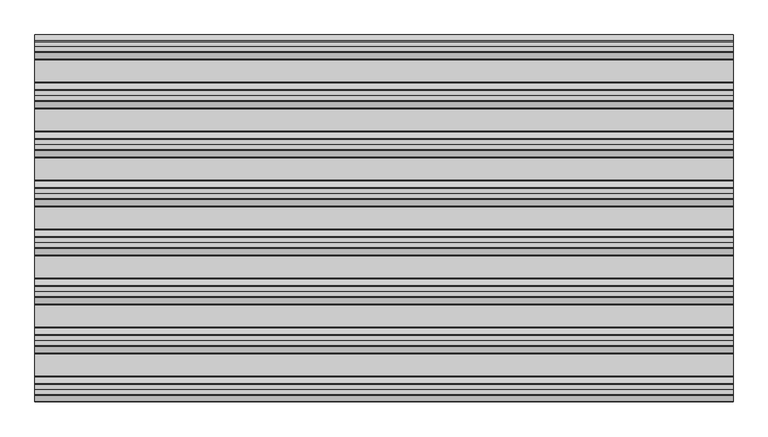
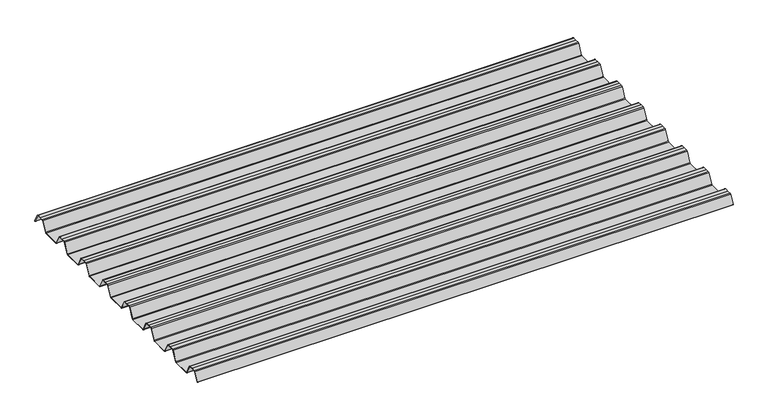
"""IFC4 building model written with IfcOpenShell, lengths in millimetres: beam geometry."""

import ifcopenshell
import ifcopenshell.guid

model = None  # the IFC model being written
_history = None  # IfcOwnerHistory: only IFC2X3 demands one
_inside = {}  # id of a spatial element -> (the spatial element, [elements in it])
_under = {}  # id of a project, library or spatial element -> (it, [spatial elements below it])
_declared = {}  # id of a project -> (the project, [libraries it declares])
_typed = {}  # id of a type object -> (the type object, [elements of that type])
_made_of = {}  # id of a material, layer set ... -> (it, [elements and type objects made of it])


def new_model(schema):
    """Start an empty IFC model of exactly this schema.

    Asked for "IFC4X3", IfcOpenShell would pick the latest addendum, in which some entities
    have other attributes; the version numbers below select the first issue.
    IFC2X3 requires an IfcOwnerHistory on every rooted entity: one is made here for all.
    """
    global model, _history
    if schema == "IFC4X3":
        model = ifcopenshell.file(schema_version=(4, 3, 0, 0))
    else:
        model = ifcopenshell.file(schema=schema)
    _inside.clear()
    _under.clear()
    _declared.clear()
    _typed.clear()
    _made_of.clear()
    _history = None
    if model.schema == "IFC2X3":
        org = make("IfcOrganization", Name="unknown")
        user = make(
            "IfcPersonAndOrganization",
            ThePerson=make("IfcPerson", FamilyName="unknown"),
            TheOrganization=org,
        )
        app = make(
            "IfcApplication",
            ApplicationDeveloper=org,
            Version="unknown",
            ApplicationFullName="unknown",
            ApplicationIdentifier="unknown",
        )
        _history = make(
            "IfcOwnerHistory",
            OwningUser=user,
            OwningApplication=app,
            ChangeAction="ADDED",
            CreationDate=0,
        )
    return model


def make(cls, **values):
    """One entity of the class cls with the attributes given. An attribute that is None is left unset."""
    return model.create_entity(
        cls, **{name: value for name, value in values.items() if value is not None}
    )


def rooted(cls, **values):
    """An entity with a GlobalId (a new one), such as an element, a storey or a relation."""
    return make(cls, GlobalId=ifcopenshell.guid.new(), OwnerHistory=_history, **values)


def si_unit(unit_type, name, prefix=None):
    """IfcSIUnit, for example si_unit("LENGTHUNIT", "METRE", prefix="MILLI")."""
    return make("IfcSIUnit", UnitType=unit_type, Prefix=prefix, Name=name)


def assignment(units):
    """IfcUnitAssignment: the units of a project."""
    return None if units is None else make("IfcUnitAssignment", Units=units)


def point(xyz):
    """IfcCartesianPoint."""
    return None if xyz is None else make("IfcCartesianPoint", Coordinates=xyz)


def direction(xyz):
    """IfcDirection."""
    return None if xyz is None else make("IfcDirection", DirectionRatios=xyz)


def frame(location, z_axis=None, x_axis=None):
    """IfcAxis2Placement3D, a coordinate frame: its origin and axes. An axis left out is left unset."""
    return make(
        "IfcAxis2Placement3D",
        Location=point(location),
        Axis=direction(z_axis),
        RefDirection=direction(x_axis),
    )


def frame_2d(location, x_axis=None):
    """IfcAxis2Placement2D, a coordinate frame in the plane: its origin and x axis."""
    return make(
        "IfcAxis2Placement2D", Location=point(location), RefDirection=direction(x_axis)
    )


def origin():
    """The frame at (0, 0, 0) with its axes left unset."""
    return frame((0.0, 0.0, 0.0))


def place(relative_to, where):
    """IfcLocalPlacement: puts the frame where relative to a parent placement (None: the world)."""
    return make(
        "IfcLocalPlacement", PlacementRelTo=relative_to, RelativePlacement=where
    )


def context(
    kind, dimensions, precision=None, world=None, true_north=None, identifier=None
):
    """IfcGeometricRepresentationContext, for example the 3D "Model" context."""
    return make(
        "IfcGeometricRepresentationContext",
        ContextIdentifier=identifier,
        ContextType=kind,
        CoordinateSpaceDimension=dimensions,
        Precision=precision,
        WorldCoordinateSystem=world,
        TrueNorth=true_north,
    )


def project(units=None, contexts=None):
    """IfcProject with its units and contexts."""
    return rooted(
        "IfcProject",
        Name="project",
        RepresentationContexts=contexts,
        UnitsInContext=assignment(units),
    )


def spatial(cls, under=None, at=None, **own):
    """A site, building, storey or space (cls), placed at a placement, below another one or the project."""
    s = rooted(cls, ObjectPlacement=at, **own)
    if under is not None:
        _under.setdefault(under.id(), (under, []))[1].append(s)
    return s


def polyline(points):
    """IfcPolyline through the points."""
    return make("IfcPolyline", Points=[point(p) for p in points])


def circle_curve(where, radius):
    """IfcCircle in the frame where."""
    return make("IfcCircle", Position=where, Radius=radius)


def trimmed(basis, trim1, trim2, sense, master):
    """IfcTrimmedCurve: the piece of a basis curve between two trims."""
    return make(
        "IfcTrimmedCurve",
        BasisCurve=basis,
        Trim1=trim1,
        Trim2=trim2,
        SenseAgreement=sense,
        MasterRepresentation=master,
    )


def segment(curve, same_sense, transition):
    """IfcCompositeCurveSegment."""
    return make(
        "IfcCompositeCurveSegment",
        Transition=transition,
        SameSense=same_sense,
        ParentCurve=curve,
    )


def composite_curve(segments, self_intersect=None):
    """IfcCompositeCurve: segments joined end to end."""
    return make("IfcCompositeCurve", Segments=segments, SelfIntersect=self_intersect)


def outline(outer, holes=None, kind="AREA"):
    """IfcArbitraryClosedProfileDef: a profile drawn as a closed curve; with holes, ...WithVoids."""
    if holes is None:
        return make("IfcArbitraryClosedProfileDef", ProfileType=kind, OuterCurve=outer)
    return make(
        "IfcArbitraryProfileDefWithVoids",
        ProfileType=kind,
        OuterCurve=outer,
        InnerCurves=holes,
    )


def extrude(swept, where, along, depth):
    """IfcExtrudedAreaSolid: the profile swept, set in the frame where, extruded along a direction by depth."""
    return make(
        "IfcExtrudedAreaSolid",
        SweptArea=swept,
        Position=where,
        ExtrudedDirection=direction(along),
        Depth=depth,
    )


def shape(context_of_items, identifier, shape_type, items):
    """IfcShapeRepresentation: the items that make up one representation, for example the "Body"."""
    return make(
        "IfcShapeRepresentation",
        ContextOfItems=context_of_items,
        RepresentationIdentifier=identifier,
        RepresentationType=shape_type,
        Items=items,
    )


def source(mapping_origin, context_of_items, identifier, shape_type, items):
    """IfcRepresentationMap: a shape defined once, which mapped items show again and again."""
    return make(
        "IfcRepresentationMap",
        MappingOrigin=mapping_origin,
        MappedRepresentation=shape(context_of_items, identifier, shape_type, items),
    )


def transform(
    local_origin,
    x_axis=None,
    y_axis=None,
    z_axis=None,
    scale=None,
    scale2=None,
    scale3=None,
    uniform=True,
):
    """IfcCartesianTransformationOperator3D, or its non-uniform kind. x_axis, y_axis, z_axis: its Axis1, 2, 3."""
    if uniform:
        return make(
            "IfcCartesianTransformationOperator3D",
            Axis1=direction(x_axis),
            Axis2=direction(y_axis),
            LocalOrigin=point(local_origin),
            Scale=scale,
            Axis3=direction(z_axis),
        )
    return make(
        "IfcCartesianTransformationOperator3DnonUniform",
        Axis1=direction(x_axis),
        Axis2=direction(y_axis),
        LocalOrigin=point(local_origin),
        Scale=scale,
        Axis3=direction(z_axis),
        Scale2=scale2,
        Scale3=scale3,
    )


def mapped(mapping_source, mapping_target):
    """IfcMappedItem: shows the shape of a source again, moved by a transform."""
    return make(
        "IfcMappedItem", MappingSource=mapping_source, MappingTarget=mapping_target
    )


def made_of(thing, what):
    """Note that an element or type object is made of a material, layer set ...; save() writes the relation."""
    if what is not None:
        _made_of.setdefault(what.id(), (what, []))[1].append(thing)
    return thing


def element(
    cls,
    number,
    at=None,
    inside=None,
    cuts=None,
    type_object=None,
    material=None,
    context=None,
    identifier="Body",
    shape_type=None,
    held_by="IfcProductDefinitionShape",
    body=None,
    shapes=None,
    **own,
):
    """One element of the class cls, such as IfcWall. Its Tag is "e" and its number.

    at: its placement. inside: the storey or other place that contains it. cuts: it is an
    opening in that element (IfcRelVoidsElement). A single representation is given by context,
    identifier, shape_type and body (its items); several are given by shapes. held_by: the class
    of the entity that holds the representations. save() writes the other relations.
    """
    e = rooted(cls, Tag="e%d" % number, ObjectPlacement=at, **own)
    if body is not None:
        shapes = [shape(context, identifier, shape_type, body)]
    if shapes is not None:
        e.Representation = make(held_by, Representations=shapes)
    if inside is not None:
        _inside.setdefault(inside.id(), (inside, []))[1].append(e)
    if cuts is not None:
        rooted(
            "IfcRelVoidsElement", RelatingBuildingElement=cuts, RelatedOpeningElement=e
        )
    if type_object is not None:
        _typed.setdefault(type_object.id(), (type_object, []))[1].append(e)
    return made_of(e, material)


def aggregate(whole, parts):
    """IfcRelAggregates: a whole, such as a stair, and the parts it consists of."""
    return rooted("IfcRelAggregates", RelatingObject=whole, RelatedObjects=parts)


def save(model, path):
    """Write the relations noted so far, then the file.

    IfcRelAggregates (storeys below a building ...), IfcRelContainedInSpatialStructure (elements
    in a storey), IfcRelDefinesByType, IfcRelAssociatesMaterial and IfcRelDeclares: one each for
    every whole, place, type object, material and project.
    """
    for whole, parts in _under.values():
        aggregate(whole, parts)
    for where, things in _inside.values():
        rooted(
            "IfcRelContainedInSpatialStructure",
            RelatedElements=things,
            RelatingStructure=where,
        )
    for kind, things in _typed.values():
        rooted("IfcRelDefinesByType", RelatedObjects=things, RelatingType=kind)
    for what, things in _made_of.values():
        rooted("IfcRelAssociatesMaterial", RelatedObjects=things, RelatingMaterial=what)
    for by, libraries in _declared.values():
        rooted("IfcRelDeclares", RelatingContext=by, RelatedDefinitions=libraries)
    model.write(path)


def beam_1103ec26(model_context):
    return source(origin(), model_context, "Body", "SweptSolid", [
        extrude(outline(composite_curve([segment(trimmed(circle_curve(frame_2d((-218.9202706, -22.03335)), 3.7571435), [point((-219.0, -25.7896475))], [point((-222.2893314, -23.6963464))], False, "CARTESIAN"), True, "CONTINUOUS"), segment(polyline([(-222.2893314, -23.6963464), (-239.0926736, 7.6441785)]), True, "CONTINUOUS"), segment(trimmed(circle_curve(frame_2d((-241.5797294, 6.454055)), 2.7571435), [point((-239.0926736, 7.6441785))], [point((-241.511431, 9.2103525))], True, "CARTESIAN"), True, "CONTINUOUS"), segment(polyline([(-241.511431, 9.2103525), (-254.0, 9.2103525), (-266.488569, 9.2103525)]), True, "CONTINUOUS"), segment(trimmed(circle_curve(frame_2d((-266.4202706, 6.454055)), 2.7571435), [point((-266.488569, 9.2103525))], [point((-268.9073264, 7.6441785))], True, "CARTESIAN"), True, "CONTINUOUS"), segment(polyline([(-268.9073264, 7.6441785), (-285.7106686, -23.6963464)]), True, "CONTINUOUS"), segment(trimmed(circle_curve(frame_2d((-289.0797294, -22.03335)), 3.7571435), [point((-285.7106686, -23.6963464))], [point((-289.0, -25.7896475))], False, "CARTESIAN"), True, "CONTINUOUS"), segment(polyline([(-289.0, -25.7896475), (-346.0, -25.7896475)]), True, "CONTINUOUS"), segment(trimmed(circle_curve(frame_2d((-345.9202706, -22.03335)), 3.7571435), [point((-346.0, -25.7896475))], [point((-349.2893314, -23.6963464))], False, "CARTESIAN"), True, "CONTINUOUS"), segment(polyline([(-349.2893314, -23.6963464), (-366.0926736, 7.6441785)]), True, "CONTINUOUS"), segment(trimmed(circle_curve(frame_2d((-368.5797294, 6.454055)), 2.7571435), [point((-366.0926736, 7.6441785))], [point((-368.511431, 9.2103525))], True, "CARTESIAN"), True, "CONTINUOUS"), segment(polyline([(-368.511431, 9.2103525), (-381.0, 9.2103525), (-393.488569, 9.2103525)]), True, "CONTINUOUS"), segment(trimmed(circle_curve(frame_2d((-393.4202706, 6.454055)), 2.7571435), [point((-393.488569, 9.2103525))], [point((-395.9073264, 7.6441785))], True, "CARTESIAN"), True, "CONTINUOUS"), segment(polyline([(-395.9073264, 7.6441785), (-412.7106686, -23.6963464)]), True, "CONTINUOUS"), segment(trimmed(circle_curve(frame_2d((-416.0797294, -22.03335)), 3.7571435), [point((-412.7106686, -23.6963464))], [point((-416.0, -25.7896475))], False, "CARTESIAN"), True, "CONTINUOUS"), segment(polyline([(-416.0, -25.7896475), (-473.0, -25.7896475)]), True, "CONTINUOUS"), segment(trimmed(circle_curve(frame_2d((-472.9202706, -22.03335)), 3.7571435), [point((-473.0, -25.7896475))], [point((-476.2893314, -23.6963464))], False, "CARTESIAN"), True, "CONTINUOUS"), segment(polyline([(-476.2893314, -23.6963464), (-493.0926736, 7.6441785)]), True, "CONTINUOUS"), segment(trimmed(circle_curve(frame_2d((-495.5797294, 6.454055)), 2.7571435), [point((-493.0926736, 7.6441785))], [point((-495.511431, 9.2103525))], True, "CARTESIAN"), True, "CONTINUOUS"), segment(polyline([(-495.511431, 9.2103525), (-508.0, 9.2103525), (-520.488569, 9.2103525)]), True, "CONTINUOUS"), segment(trimmed(circle_curve(frame_2d((-520.4202706, 6.454055)), 2.7571435), [point((-520.488569, 9.2103525))], [point((-522.9073264, 7.6441785))], True, "CARTESIAN"), True, "CONTINUOUS"), segment(polyline([(-522.9073264, 7.6441785), (-539.7106686, -23.6963464)]), True, "CONTINUOUS"), segment(trimmed(circle_curve(frame_2d((-543.0797294, -22.03335)), 3.7571435), [point((-539.7106686, -23.6963464))], [point((-543.0, -25.7896475))], False, "CARTESIAN"), True, "CONTINUOUS"), segment(polyline([(-543.0, -25.7896475), (-600.0, -25.7896475)]), True, "CONTINUOUS"), segment(trimmed(circle_curve(frame_2d((-599.9202706, -22.03335)), 3.7571435), [point((-600.0, -25.7896475))], [point((-603.2893314, -23.6963464))], False, "CARTESIAN"), True, "CONTINUOUS"), segment(polyline([(-603.2893314, -23.6963464), (-620.0926736, 7.6441785)]), True, "CONTINUOUS"), segment(trimmed(circle_curve(frame_2d((-622.5797294, 6.454055)), 2.7571435), [point((-620.0926736, 7.6441785))], [point((-622.511431, 9.2103525))], True, "CARTESIAN"), True, "CONTINUOUS"), segment(polyline([(-622.511431, 9.2103525), (-635.0, 9.2103525), (-647.488569, 9.2103525)]), True, "CONTINUOUS"), segment(trimmed(circle_curve(frame_2d((-647.4202706, 6.454055)), 2.7571435), [point((-647.488569, 9.2103525))], [point((-649.9073264, 7.6441785))], True, "CARTESIAN"), True, "CONTINUOUS"), segment(polyline([(-649.9073264, 7.6441785), (-666.7106686, -23.6963464)]), True, "CONTINUOUS"), segment(trimmed(circle_curve(frame_2d((-670.0797294, -22.03335)), 3.7571435), [point((-666.7106686, -23.6963464))], [point((-670.0, -25.7896475))], False, "CARTESIAN"), True, "CONTINUOUS"), segment(polyline([(-670.0, -25.7896475), (-727.0, -25.7896475)]), True, "CONTINUOUS"), segment(trimmed(circle_curve(frame_2d((-726.9202706, -22.03335)), 3.7571435), [point((-727.0, -25.7896475))], [point((-730.2893314, -23.6963464))], False, "CARTESIAN"), True, "CONTINUOUS"), segment(polyline([(-730.2893314, -23.6963464), (-747.0926736, 7.6441785)]), True, "CONTINUOUS"), segment(trimmed(circle_curve(frame_2d((-749.5797294, 6.454055)), 2.7571435), [point((-747.0926736, 7.6441785))], [point((-749.511431, 9.2103525))], True, "CARTESIAN"), True, "CONTINUOUS"), segment(polyline([(-749.511431, 9.2103525), (-762.0, 9.2103525), (-774.488569, 9.2103525)]), True, "CONTINUOUS"), segment(trimmed(circle_curve(frame_2d((-774.4202706, 6.454055)), 2.7571435), [point((-774.488569, 9.2103525))], [point((-776.9073264, 7.6441785))], True, "CARTESIAN"), True, "CONTINUOUS"), segment(polyline([(-776.9073264, 7.6441785), (-793.7106686, -23.6963464)]), True, "CONTINUOUS"), segment(trimmed(circle_curve(frame_2d((-797.0797294, -22.03335)), 3.7571435), [point((-793.7106686, -23.6963464))], [point((-797.0, -25.7896475))], False, "CARTESIAN"), True, "CONTINUOUS"), segment(polyline([(-797.0, -25.7896475), (-854.0, -25.7896475)]), True, "CONTINUOUS"), segment(trimmed(circle_curve(frame_2d((-853.9202706, -22.03335)), 3.7571435), [point((-854.0, -25.7896475))], [point((-857.2893314, -23.6963464))], False, "CARTESIAN"), True, "CONTINUOUS"), segment(polyline([(-857.2893314, -23.6963464), (-874.0926736, 7.6441785)]), True, "CONTINUOUS"), segment(trimmed(circle_curve(frame_2d((-876.5797294, 6.454055)), 2.7571435), [point((-874.0926736, 7.6441785))], [point((-876.511431, 9.2103525))], True, "CARTESIAN"), True, "CONTINUOUS"), segment(polyline([(-876.511431, 9.2103525), (-889.0, 9.2103525), (-901.488569, 9.2103525)]), True, "CONTINUOUS"), segment(trimmed(circle_curve(frame_2d((-901.4202706, 6.454055)), 2.7571435), [point((-901.488569, 9.2103525))], [point((-903.9073264, 7.6441785))], True, "CARTESIAN"), True, "CONTINUOUS"), segment(polyline([(-903.9073264, 7.6441785), (-918.9585755, -20.4284536)]), True, "CONTINUOUS"), segment(trimmed(circle_curve(frame_2d((-919.3992348, -20.1921924)), 0.5), [point((-918.9585755, -20.4284536))], [point((-919.8398941, -19.9559313))], False, "CARTESIAN"), True, "CONTINUOUS"), segment(polyline([(-919.8398941, -19.9559313), (-904.7986379, 8.0980628)]), True, "CONTINUOUS"), segment(trimmed(circle_curve(frame_2d((-901.4202706, 6.454055)), 3.7571435), [point((-904.7986379, 8.0980628))], [point((-901.5, 10.2103525))], False, "CARTESIAN"), True, "CONTINUOUS"), segment(polyline([(-901.5, 10.2103525), (-889.0, 10.2103525), (-876.5, 10.2103525)]), True, "CONTINUOUS"), segment(trimmed(circle_curve(frame_2d((-876.5797294, 6.454055)), 3.7571435), [point((-876.5, 10.2103525))], [point((-873.2013621, 8.0980628))], False, "CARTESIAN"), True, "CONTINUOUS"), segment(polyline([(-873.2013621, 8.0980628), (-856.3994529, -23.2397892)]), True, "CONTINUOUS"), segment(trimmed(circle_curve(frame_2d((-853.9202706, -22.03335)), 2.7571435), [point((-856.3994529, -23.2397892))], [point((-853.988569, -24.7896475))], True, "CARTESIAN"), True, "CONTINUOUS"), segment(polyline([(-853.988569, -24.7896475), (-797.011431, -24.7896475)]), True, "CONTINUOUS"), segment(trimmed(circle_curve(frame_2d((-797.0797294, -22.03335)), 2.7571435), [point((-797.011431, -24.7896475))], [point((-794.6005471, -23.2397892))], True, "CARTESIAN"), True, "CONTINUOUS"), segment(polyline([(-794.6005471, -23.2397892), (-777.7986379, 8.0980628)]), True, "CONTINUOUS"), segment(trimmed(circle_curve(frame_2d((-774.4202706, 6.454055)), 3.7571435), [point((-777.7986379, 8.0980628))], [point((-774.5, 10.2103525))], False, "CARTESIAN"), True, "CONTINUOUS"), segment(polyline([(-774.5, 10.2103525), (-762.0, 10.2103525), (-749.5, 10.2103525)]), True, "CONTINUOUS"), segment(trimmed(circle_curve(frame_2d((-749.5797294, 6.454055)), 3.7571435), [point((-749.5, 10.2103525))], [point((-746.2013621, 8.0980628))], False, "CARTESIAN"), True, "CONTINUOUS"), segment(polyline([(-746.2013621, 8.0980628), (-729.3994529, -23.2397892)]), True, "CONTINUOUS"), segment(trimmed(circle_curve(frame_2d((-726.9202706, -22.03335)), 2.7571435), [point((-729.3994529, -23.2397892))], [point((-726.988569, -24.7896475))], True, "CARTESIAN"), True, "CONTINUOUS"), segment(polyline([(-726.988569, -24.7896475), (-670.011431, -24.7896475)]), True, "CONTINUOUS"), segment(trimmed(circle_curve(frame_2d((-670.0797294, -22.03335)), 2.7571435), [point((-670.011431, -24.7896475))], [point((-667.6005471, -23.2397892))], True, "CARTESIAN"), True, "CONTINUOUS"), segment(polyline([(-667.6005471, -23.2397892), (-650.7986379, 8.0980628)]), True, "CONTINUOUS"), segment(trimmed(circle_curve(frame_2d((-647.4202706, 6.454055)), 3.7571435), [point((-650.7986379, 8.0980628))], [point((-647.5, 10.2103525))], False, "CARTESIAN"), True, "CONTINUOUS"), segment(polyline([(-647.5, 10.2103525), (-635.0, 10.2103525), (-622.5, 10.2103525)]), True, "CONTINUOUS"), segment(trimmed(circle_curve(frame_2d((-622.5797294, 6.454055)), 3.7571435), [point((-622.5, 10.2103525))], [point((-619.2013621, 8.0980628))], False, "CARTESIAN"), True, "CONTINUOUS"), segment(polyline([(-619.2013621, 8.0980628), (-602.3994529, -23.2397892)]), True, "CONTINUOUS"), segment(trimmed(circle_curve(frame_2d((-599.9202706, -22.03335)), 2.7571435), [point((-602.3994529, -23.2397892))], [point((-599.988569, -24.7896475))], True, "CARTESIAN"), True, "CONTINUOUS"), segment(polyline([(-599.988569, -24.7896475), (-543.011431, -24.7896475)]), True, "CONTINUOUS"), segment(trimmed(circle_curve(frame_2d((-543.0797294, -22.03335)), 2.7571435), [point((-543.011431, -24.7896475))], [point((-540.6005471, -23.2397892))], True, "CARTESIAN"), True, "CONTINUOUS"), segment(polyline([(-540.6005471, -23.2397892), (-523.7986379, 8.0980628)]), True, "CONTINUOUS"), segment(trimmed(circle_curve(frame_2d((-520.4202706, 6.454055)), 3.7571435), [point((-523.7986379, 8.0980628))], [point((-520.5, 10.2103525))], False, "CARTESIAN"), True, "CONTINUOUS"), segment(polyline([(-520.5, 10.2103525), (-508.0, 10.2103525), (-495.5, 10.2103525)]), True, "CONTINUOUS"), segment(trimmed(circle_curve(frame_2d((-495.5797294, 6.454055)), 3.7571435), [point((-495.5, 10.2103525))], [point((-492.2013621, 8.0980628))], False, "CARTESIAN"), True, "CONTINUOUS"), segment(polyline([(-492.2013621, 8.0980628), (-475.3994529, -23.2397892)]), True, "CONTINUOUS"), segment(trimmed(circle_curve(frame_2d((-472.9202706, -22.03335)), 2.7571435), [point((-475.3994529, -23.2397892))], [point((-472.988569, -24.7896475))], True, "CARTESIAN"), True, "CONTINUOUS"), segment(polyline([(-472.988569, -24.7896475), (-416.011431, -24.7896475)]), True, "CONTINUOUS"), segment(trimmed(circle_curve(frame_2d((-416.0797294, -22.03335)), 2.7571435), [point((-416.011431, -24.7896475))], [point((-413.6005471, -23.2397892))], True, "CARTESIAN"), True, "CONTINUOUS"), segment(polyline([(-413.6005471, -23.2397892), (-396.7986379, 8.0980628)]), True, "CONTINUOUS"), segment(trimmed(circle_curve(frame_2d((-393.4202706, 6.454055)), 3.7571435), [point((-396.7986379, 8.0980628))], [point((-393.5, 10.2103525))], False, "CARTESIAN"), True, "CONTINUOUS"), segment(polyline([(-393.5, 10.2103525), (-381.0, 10.2103525), (-368.5, 10.2103525)]), True, "CONTINUOUS"), segment(trimmed(circle_curve(frame_2d((-368.5797294, 6.454055)), 3.7571435), [point((-368.5, 10.2103525))], [point((-365.2013621, 8.0980628))], False, "CARTESIAN"), True, "CONTINUOUS"), segment(polyline([(-365.2013621, 8.0980628), (-348.3994529, -23.2397892)]), True, "CONTINUOUS"), segment(trimmed(circle_curve(frame_2d((-345.9202706, -22.03335)), 2.7571435), [point((-348.3994529, -23.2397892))], [point((-345.988569, -24.7896475))], True, "CARTESIAN"), True, "CONTINUOUS"), segment(polyline([(-345.988569, -24.7896475), (-289.011431, -24.7896475)]), True, "CONTINUOUS"), segment(trimmed(circle_curve(frame_2d((-289.0797294, -22.03335)), 2.7571435), [point((-289.011431, -24.7896475))], [point((-286.6005471, -23.2397892))], True, "CARTESIAN"), True, "CONTINUOUS"), segment(polyline([(-286.6005471, -23.2397892), (-269.7986379, 8.0980628)]), True, "CONTINUOUS"), segment(trimmed(circle_curve(frame_2d((-266.4202706, 6.454055)), 3.7571435), [point((-269.7986379, 8.0980628))], [point((-266.5, 10.2103525))], False, "CARTESIAN"), True, "CONTINUOUS"), segment(polyline([(-266.5, 10.2103525), (-254.0, 10.2103525), (-241.5, 10.2103525)]), True, "CONTINUOUS"), segment(trimmed(circle_curve(frame_2d((-241.5797294, 6.454055)), 3.7571435), [point((-241.5, 10.2103525))], [point((-238.2013621, 8.0980628))], False, "CARTESIAN"), True, "CONTINUOUS"), segment(polyline([(-238.2013621, 8.0980628), (-221.3994529, -23.2397892)]), True, "CONTINUOUS"), segment(trimmed(circle_curve(frame_2d((-218.9202706, -22.03335)), 2.7571435), [point((-221.3994529, -23.2397892))], [point((-218.988569, -24.7896475))], True, "CARTESIAN"), True, "CONTINUOUS"), segment(polyline([(-218.988569, -24.7896475), (-162.011431, -24.7896475)]), True, "CONTINUOUS"), segment(trimmed(circle_curve(frame_2d((-162.0797294, -22.03335)), 2.7571435), [point((-162.011431, -24.7896475))], [point((-159.6005471, -23.2397892))], True, "CARTESIAN"), True, "CONTINUOUS"), segment(polyline([(-159.6005471, -23.2397892), (-142.7986379, 8.0980628)]), True, "CONTINUOUS"), segment(trimmed(circle_curve(frame_2d((-139.4202706, 6.454055)), 3.7571435), [point((-142.7986379, 8.0980628))], [point((-139.5, 10.2103525))], False, "CARTESIAN"), True, "CONTINUOUS"), segment(polyline([(-139.5, 10.2103525), (-127.0, 10.2103525), (-114.5, 10.2103525)]), True, "CONTINUOUS"), segment(trimmed(circle_curve(frame_2d((-114.5797294, 6.454055)), 3.7571435), [point((-114.5, 10.2103525))], [point((-111.2013621, 8.0980628))], False, "CARTESIAN"), True, "CONTINUOUS"), segment(polyline([(-111.2013621, 8.0980628), (-94.3994529, -23.2397892)]), True, "CONTINUOUS"), segment(trimmed(circle_curve(frame_2d((-91.9202706, -22.03335)), 2.7571435), [point((-94.3994529, -23.2397892))], [point((-91.988569, -24.7896475))], True, "CARTESIAN"), True, "CONTINUOUS"), segment(polyline([(-91.988569, -24.7896475), (-35.011431, -24.7896475)]), True, "CONTINUOUS"), segment(trimmed(circle_curve(frame_2d((-35.0797294, -22.03335)), 2.7571435), [point((-35.011431, -24.7896475))], [point((-32.6005471, -23.2397892))], True, "CARTESIAN"), True, "CONTINUOUS"), segment(polyline([(-32.6005471, -23.2397892), (-15.7986379, 8.0980628)]), True, "CONTINUOUS"), segment(trimmed(circle_curve(frame_2d((-12.4202706, 6.454055)), 3.7571435), [point((-15.7986379, 8.0980628))], [point((-12.5, 10.2103525))], False, "CARTESIAN"), True, "CONTINUOUS"), segment(polyline([(-12.5, 10.2103525), (0.0, 10.2103525), (12.5, 10.2103525)]), True, "CONTINUOUS"), segment(trimmed(circle_curve(frame_2d((12.4202706, 6.454055)), 3.7571435), [point((12.5, 10.2103525))], [point((15.7986379, 8.0980628))], False, "CARTESIAN"), True, "CONTINUOUS"), segment(polyline([(15.7986379, 8.0980628), (30.8398941, -19.9559313)]), True, "CONTINUOUS"), segment(trimmed(circle_curve(frame_2d((30.3992348, -20.1921924)), 0.5), [point((30.8398941, -19.9559313))], [point((29.9585755, -20.4284536))], False, "CARTESIAN"), True, "CONTINUOUS"), segment(polyline([(29.9585755, -20.4284536), (14.9073264, 7.6441785)]), True, "CONTINUOUS"), segment(trimmed(circle_curve(frame_2d((12.4202706, 6.454055)), 2.7571435), [point((14.9073264, 7.6441785))], [point((12.488569, 9.2103525))], True, "CARTESIAN"), True, "CONTINUOUS"), segment(polyline([(12.488569, 9.2103525), (0.0, 9.2103525), (-12.488569, 9.2103525)]), True, "CONTINUOUS"), segment(trimmed(circle_curve(frame_2d((-12.4202706, 6.454055)), 2.7571435), [point((-12.488569, 9.2103525))], [point((-14.9073264, 7.6441785))], True, "CARTESIAN"), True, "CONTINUOUS"), segment(polyline([(-14.9073264, 7.6441785), (-31.7106686, -23.6963464)]), True, "CONTINUOUS"), segment(trimmed(circle_curve(frame_2d((-35.0797294, -22.03335)), 3.7571435), [point((-31.7106686, -23.6963464))], [point((-35.0, -25.7896475))], False, "CARTESIAN"), True, "CONTINUOUS"), segment(polyline([(-35.0, -25.7896475), (-92.0, -25.7896475)]), True, "CONTINUOUS"), segment(trimmed(circle_curve(frame_2d((-91.9202706, -22.03335)), 3.7571435), [point((-92.0, -25.7896475))], [point((-95.2893314, -23.6963464))], False, "CARTESIAN"), True, "CONTINUOUS"), segment(polyline([(-95.2893314, -23.6963464), (-112.0926736, 7.6441785)]), True, "CONTINUOUS"), segment(trimmed(circle_curve(frame_2d((-114.5797294, 6.454055)), 2.7571435), [point((-112.0926736, 7.6441785))], [point((-114.511431, 9.2103525))], True, "CARTESIAN"), True, "CONTINUOUS"), segment(polyline([(-114.511431, 9.2103525), (-127.0, 9.2103525), (-139.488569, 9.2103525)]), True, "CONTINUOUS"), segment(trimmed(circle_curve(frame_2d((-139.4202706, 6.454055)), 2.7571435), [point((-139.488569, 9.2103525))], [point((-141.9073264, 7.6441785))], True, "CARTESIAN"), True, "CONTINUOUS"), segment(polyline([(-141.9073264, 7.6441785), (-158.7106686, -23.6963464)]), True, "CONTINUOUS"), segment(trimmed(circle_curve(frame_2d((-162.0797294, -22.03335)), 3.7571435), [point((-158.7106686, -23.6963464))], [point((-162.0, -25.7896475))], False, "CARTESIAN"), True, "CONTINUOUS"), segment(polyline([(-162.0, -25.7896475), (-219.0, -25.7896475)]), True, "CONTINUOUS")], self_intersect=False)), frame((-905.0, 0.0, 0.0), z_axis=(1.0, 0.0, 0.0), x_axis=(0.0, 1.0, 0.0)), (0.0, 0.0, 1.0), 1810.0),
    ])


if __name__ == "__main__":
    model = new_model("IFC4")
    model_context = context("Model", 3, world=origin())
    ifc_project = project(units=[si_unit("LENGTHUNIT", "METRE", prefix="MILLI")], contexts=[model_context])
    site = spatial("IfcSite", under=ifc_project)
    building = spatial("IfcBuilding", under=site)
    placement = place(None, origin())
    beam_shape = beam_1103ec26(model_context)
    element("IfcBeam", 1, at=placement, inside=building, context=model_context, shape_type="MappedRepresentation", body=[
        mapped(beam_shape, transform((0.0, 0.0, 0.0), x_axis=(1.0, 0.0, 0.0), y_axis=(0.0, 1.0, 0.0), z_axis=(0.0, 0.0, 1.0))),
    ])
    save(model, "model.ifc")
